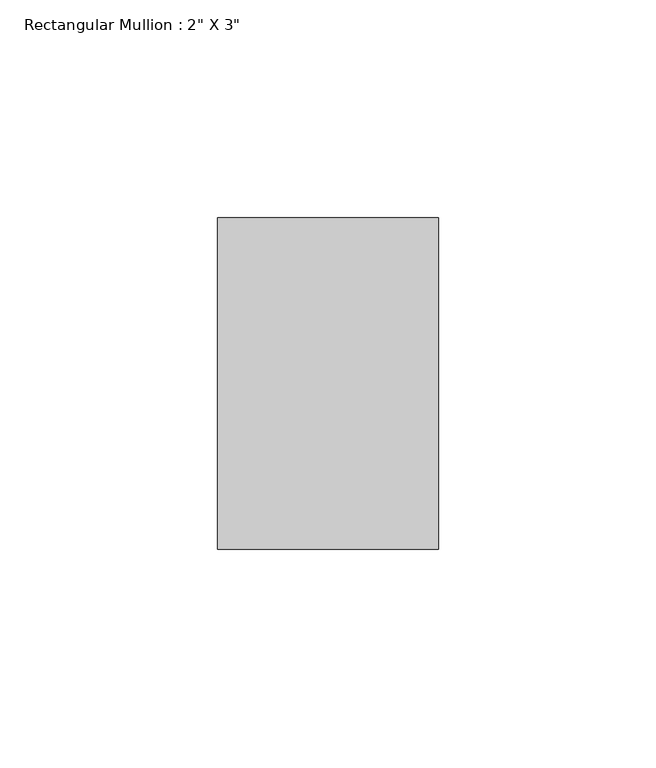
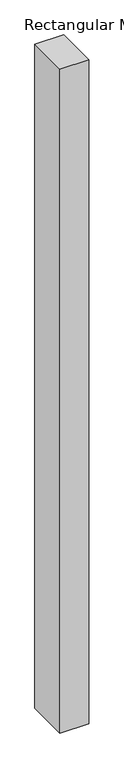
"""IFC4 building model written with IfcOpenShell, lengths in millimetres: member geometry."""

from ifc_helpers import new_model, si_unit, frame, origin, place, context, project, spatial, polyline, outline, extrude, source, transform, mapped, element, save


def member_0a1858cb(model_context):
    return source(origin(), model_context, "Body", "SweptSolid", [
        extrude(outline(polyline([(25.4, 63.5), (25.4, -12.7), (-25.4, -12.7), (-25.4, 63.5), (25.4, 63.5)])), frame((0.0, 0.0, -1231.9), z_axis=(0.0, 0.0, 1.0), x_axis=(1.0, 0.0, 0.0)), (0.0, 0.0, 1.0), 1231.9),
    ])


if __name__ == "__main__":
    model = new_model("IFC4")
    model_context = context("Model", 3, world=origin())
    ifc_project = project(units=[si_unit("LENGTHUNIT", "METRE", prefix="MILLI")], contexts=[model_context])
    site = spatial("IfcSite", under=ifc_project)
    building = spatial("IfcBuilding", under=site)
    placement = place(None, origin())
    member_shape = member_0a1858cb(model_context)
    element("IfcMember", 1, ObjectType="Rectangular Mullion : 2\" X 3\"", at=placement, inside=building, context=model_context, shape_type="MappedRepresentation", body=[
        mapped(member_shape, transform((0.0, 0.0, 0.0), x_axis=(1.0, 0.0, 0.0), y_axis=(0.0, 1.0, 0.0), z_axis=(0.0, 0.0, 1.0))),
    ])
    save(model, "model.ifc")
